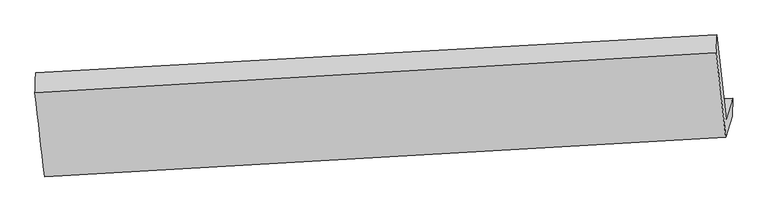
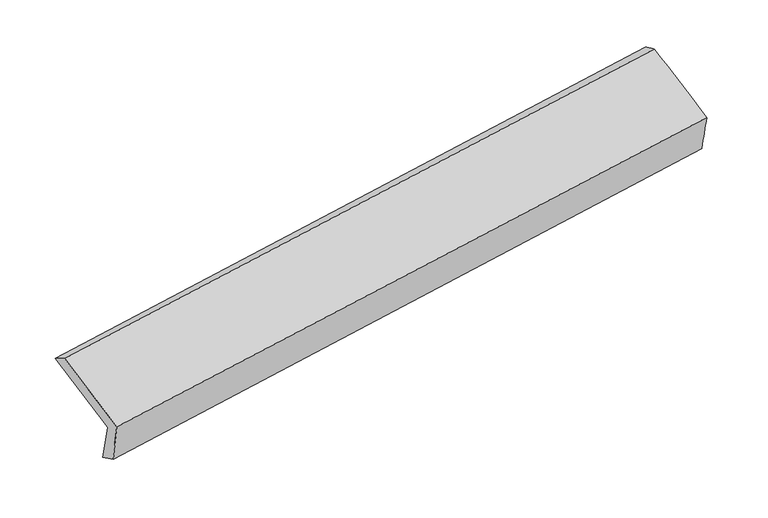
"""IFC4 building model written with IfcOpenShell, lengths in millimetres: proxy geometry."""

from ifc_helpers import new_model, si_unit, frame, origin, place, context, project, spatial, source, transform, mapped, element, save
from ifc_brep_helpers import plane_surface, spline_surface, advanced_brep


def generic_models_6ae3eb8f(model_context):
    return source(origin(), model_context, "Body", "AdvancedBrep", [
        advanced_brep(
        [(-5287.7540694, -1681.7307175, 1176.7825773), (-5334.1715562, -1831.0572436, 1542.4340505), (-368.9603472, -1551.5618256, 2322.7331395), (-321.5108301, -1398.9152252, 1948.9518981), (-5290.6649792, -1835.7926451, 1253.4698684), (-323.2385638, -1531.3753003, 2009.2785234), (-5340.0853341, -1971.7096148, 1634.2055658), (-370.981007, -1684.9642533, 2385.3672759), (-5410.2504924, -1359.1014159, 1875.4783909), (-441.0414647, -1069.6258712, 2627.7683576), (-5404.8160923, -1214.2636226, 1785.3552841), (-438.7564258, -938.5454752, 2564.2195001)],
        [
            (0, 1),
            (1, 2),
            (2, 3),
            (3, 0),
            (4, 0),
            (3, 5),
            (5, 4),
            (6, 4),
            (5, 7),
            (7, 6),
            (8, 6),
            (7, 9),
            (9, 8),
            (10, 8),
            (9, 11),
            (11, 10),
            (1, 10),
            (11, 2),
        ],
        [
            plane_surface(frame((-5310.9628128, -1756.3939805, 1359.6083139), z_axis=(-0.10925626729231866, 0.9250114948756835, 0.36389119583359375), x_axis=(-0.11671899518446645, -0.375488706692302, 0.9194481536822351))),
            spline_surface(1, 1, [[(-5290.6649792, -1835.7926451, 1253.4698684), (-323.2385638, -1531.3753003, 2009.2785234)], [(-5287.7540694, -1681.7307175, 1176.7825773), (-321.5108301, -1398.9152252, 1948.9518981)]], [2, 2], [2, 2], [0.0, 1.0], [0.0, 1.0]),
            spline_surface(1, 1, [[(-5340.0853341, -1971.7096148, 1634.2055658), (-370.981007, -1684.9642533, 2385.3672759)], [(-5290.6649792, -1835.7926451, 1253.4698684), (-323.2385638, -1531.3753003, 2009.2785234)]], [2, 2], [2, 2], [0.0, 1.0], [0.0, 1.0]),
            spline_surface(1, 1, [[(-5410.2504924, -1359.1014159, 1875.4783909), (-441.0414647, -1069.6258712, 2627.7683576)], [(-5340.0853341, -1971.7096148, 1634.2055658), (-370.981007, -1684.9642533, 2385.3672759)]], [2, 2], [2, 2], [0.0, 1.0], [0.0, 1.0]),
            spline_surface(1, 1, [[(-5404.8160923, -1214.2636226, 1785.3552841), (-438.7564258, -938.5454752, 2564.2195001)], [(-5410.2504924, -1359.1014159, 1875.4783909), (-441.0414647, -1069.6258712, 2627.7683576)]], [2, 2], [2, 2], [0.0, 1.0], [0.0, 1.0]),
            spline_surface(1, 1, [[(-5334.1715562, -1831.0572436, 1542.4340505), (-368.9603472, -1551.5618256, 2322.7331395)], [(-5404.8160923, -1214.2636226, 1785.3552841), (-438.7564258, -938.5454752, 2564.2195001)]], [2, 2], [2, 2], [0.0, 1.0], [0.0, 1.0]),
            plane_surface(frame((-377.4147731, -1362.4979918, 2309.7197824), z_axis=(0.9875622919651669, 0.05431692491536429, 0.14754792833599917), x_axis=(0.10534417711314005, -0.9252339719304998, -0.3644786708904466))),
            plane_surface(frame((-5344.6237539, -1648.9425432, 1544.6209562), z_axis=(-0.9874955659762364, -0.05490123622591882, -0.147778081724384), x_axis=(0.11671899518451215, 0.3754887066923039, -0.9194481536822285))),
        ],
        [
            (0, [[1, 2, 3, 4]]),
            (1, [[5, -4, 6, 7]]),
            (2, [[8, -7, 9, 10]]),
            (3, [[11, -10, 12, 13]]),
            (4, [[14, -13, 15, 16]]),
            (5, [[17, -16, 18, -2]]),
            (6, [[-12, -9, -6, -3, -18, -15]]),
            (7, [[-1, -5, -8, -11, -14, -17]]),
        ],
    ),
    ])


if __name__ == "__main__":
    model = new_model("IFC4")
    model_context = context("Model", 3, world=origin())
    ifc_project = project(units=[si_unit("LENGTHUNIT", "METRE", prefix="MILLI")], contexts=[model_context])
    site = spatial("IfcSite", under=ifc_project)
    building = spatial("IfcBuilding", under=site)
    placement = place(None, origin())
    generic_models_shape = generic_models_6ae3eb8f(model_context)
    element("IfcBuildingElementProxy", 1, Name="Generic Models", at=placement, inside=building, context=model_context, shape_type="MappedRepresentation", body=[
        mapped(generic_models_shape, transform((0.0, 0.0, 0.0), x_axis=(1.0, 0.0, 0.0), y_axis=(0.0, 1.0, 0.0), z_axis=(0.0, 0.0, 1.0))),
    ])
    save(model, "model.ifc")
